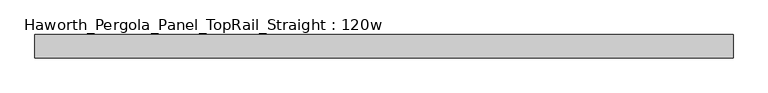
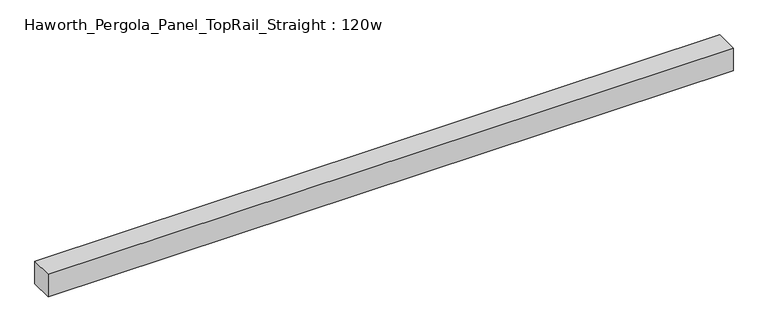
"""IFC4 building model written with IfcOpenShell, lengths in millimetres: furniture geometry, Haworth_Pergola_Panel_TopRail_Straight : 120w."""

import ifcopenshell
import ifcopenshell.guid

model = None  # the IFC model being written
_history = None  # IfcOwnerHistory: only IFC2X3 demands one
_inside = {}  # id of a spatial element -> (the spatial element, [elements in it])
_under = {}  # id of a project, library or spatial element -> (it, [spatial elements below it])
_declared = {}  # id of a project -> (the project, [libraries it declares])
_typed = {}  # id of a type object -> (the type object, [elements of that type])
_made_of = {}  # id of a material, layer set ... -> (it, [elements and type objects made of it])


def new_model(schema):
    """Start an empty IFC model of exactly this schema.

    Asked for "IFC4X3", IfcOpenShell would pick the latest addendum, in which some entities
    have other attributes; the version numbers below select the first issue.
    IFC2X3 requires an IfcOwnerHistory on every rooted entity: one is made here for all.
    """
    global model, _history
    if schema == "IFC4X3":
        model = ifcopenshell.file(schema_version=(4, 3, 0, 0))
    else:
        model = ifcopenshell.file(schema=schema)
    _inside.clear()
    _under.clear()
    _declared.clear()
    _typed.clear()
    _made_of.clear()
    _history = None
    if model.schema == "IFC2X3":
        org = make("IfcOrganization", Name="unknown")
        user = make(
            "IfcPersonAndOrganization",
            ThePerson=make("IfcPerson", FamilyName="unknown"),
            TheOrganization=org,
        )
        app = make(
            "IfcApplication",
            ApplicationDeveloper=org,
            Version="unknown",
            ApplicationFullName="unknown",
            ApplicationIdentifier="unknown",
        )
        _history = make(
            "IfcOwnerHistory",
            OwningUser=user,
            OwningApplication=app,
            ChangeAction="ADDED",
            CreationDate=0,
        )
    return model


def make(cls, **values):
    """One entity of the class cls with the attributes given. An attribute that is None is left unset."""
    return model.create_entity(
        cls, **{name: value for name, value in values.items() if value is not None}
    )


def rooted(cls, **values):
    """An entity with a GlobalId (a new one), such as an element, a storey or a relation."""
    return make(cls, GlobalId=ifcopenshell.guid.new(), OwnerHistory=_history, **values)


def si_unit(unit_type, name, prefix=None):
    """IfcSIUnit, for example si_unit("LENGTHUNIT", "METRE", prefix="MILLI")."""
    return make("IfcSIUnit", UnitType=unit_type, Prefix=prefix, Name=name)


def assignment(units):
    """IfcUnitAssignment: the units of a project."""
    return None if units is None else make("IfcUnitAssignment", Units=units)


def point(xyz):
    """IfcCartesianPoint."""
    return None if xyz is None else make("IfcCartesianPoint", Coordinates=xyz)


def direction(xyz):
    """IfcDirection."""
    return None if xyz is None else make("IfcDirection", DirectionRatios=xyz)


def frame(location, z_axis=None, x_axis=None):
    """IfcAxis2Placement3D, a coordinate frame: its origin and axes. An axis left out is left unset."""
    return make(
        "IfcAxis2Placement3D",
        Location=point(location),
        Axis=direction(z_axis),
        RefDirection=direction(x_axis),
    )


def origin():
    """The frame at (0, 0, 0) with its axes left unset."""
    return frame((0.0, 0.0, 0.0))


def place(relative_to, where):
    """IfcLocalPlacement: puts the frame where relative to a parent placement (None: the world)."""
    return make(
        "IfcLocalPlacement", PlacementRelTo=relative_to, RelativePlacement=where
    )


def context(
    kind, dimensions, precision=None, world=None, true_north=None, identifier=None
):
    """IfcGeometricRepresentationContext, for example the 3D "Model" context."""
    return make(
        "IfcGeometricRepresentationContext",
        ContextIdentifier=identifier,
        ContextType=kind,
        CoordinateSpaceDimension=dimensions,
        Precision=precision,
        WorldCoordinateSystem=world,
        TrueNorth=true_north,
    )


def project(units=None, contexts=None):
    """IfcProject with its units and contexts."""
    return rooted(
        "IfcProject",
        Name="project",
        RepresentationContexts=contexts,
        UnitsInContext=assignment(units),
    )


def spatial(cls, under=None, at=None, **own):
    """A site, building, storey or space (cls), placed at a placement, below another one or the project."""
    s = rooted(cls, ObjectPlacement=at, **own)
    if under is not None:
        _under.setdefault(under.id(), (under, []))[1].append(s)
    return s


def polyline(points):
    """IfcPolyline through the points."""
    return make("IfcPolyline", Points=[point(p) for p in points])


def outline(outer, holes=None, kind="AREA"):
    """IfcArbitraryClosedProfileDef: a profile drawn as a closed curve; with holes, ...WithVoids."""
    if holes is None:
        return make("IfcArbitraryClosedProfileDef", ProfileType=kind, OuterCurve=outer)
    return make(
        "IfcArbitraryProfileDefWithVoids",
        ProfileType=kind,
        OuterCurve=outer,
        InnerCurves=holes,
    )


def extrude(swept, where, along, depth):
    """IfcExtrudedAreaSolid: the profile swept, set in the frame where, extruded along a direction by depth."""
    return make(
        "IfcExtrudedAreaSolid",
        SweptArea=swept,
        Position=where,
        ExtrudedDirection=direction(along),
        Depth=depth,
    )


def shape(context_of_items, identifier, shape_type, items):
    """IfcShapeRepresentation: the items that make up one representation, for example the "Body"."""
    return make(
        "IfcShapeRepresentation",
        ContextOfItems=context_of_items,
        RepresentationIdentifier=identifier,
        RepresentationType=shape_type,
        Items=items,
    )


def source(mapping_origin, context_of_items, identifier, shape_type, items):
    """IfcRepresentationMap: a shape defined once, which mapped items show again and again."""
    return make(
        "IfcRepresentationMap",
        MappingOrigin=mapping_origin,
        MappedRepresentation=shape(context_of_items, identifier, shape_type, items),
    )


def transform(
    local_origin,
    x_axis=None,
    y_axis=None,
    z_axis=None,
    scale=None,
    scale2=None,
    scale3=None,
    uniform=True,
):
    """IfcCartesianTransformationOperator3D, or its non-uniform kind. x_axis, y_axis, z_axis: its Axis1, 2, 3."""
    if uniform:
        return make(
            "IfcCartesianTransformationOperator3D",
            Axis1=direction(x_axis),
            Axis2=direction(y_axis),
            LocalOrigin=point(local_origin),
            Scale=scale,
            Axis3=direction(z_axis),
        )
    return make(
        "IfcCartesianTransformationOperator3DnonUniform",
        Axis1=direction(x_axis),
        Axis2=direction(y_axis),
        LocalOrigin=point(local_origin),
        Scale=scale,
        Axis3=direction(z_axis),
        Scale2=scale2,
        Scale3=scale3,
    )


def mapped(mapping_source, mapping_target):
    """IfcMappedItem: shows the shape of a source again, moved by a transform."""
    return make(
        "IfcMappedItem", MappingSource=mapping_source, MappingTarget=mapping_target
    )


def made_of(thing, what):
    """Note that an element or type object is made of a material, layer set ...; save() writes the relation."""
    if what is not None:
        _made_of.setdefault(what.id(), (what, []))[1].append(thing)
    return thing


def element(
    cls,
    number,
    at=None,
    inside=None,
    cuts=None,
    type_object=None,
    material=None,
    context=None,
    identifier="Body",
    shape_type=None,
    held_by="IfcProductDefinitionShape",
    body=None,
    shapes=None,
    **own,
):
    """One element of the class cls, such as IfcWall. Its Tag is "e" and its number.

    at: its placement. inside: the storey or other place that contains it. cuts: it is an
    opening in that element (IfcRelVoidsElement). A single representation is given by context,
    identifier, shape_type and body (its items); several are given by shapes. held_by: the class
    of the entity that holds the representations. save() writes the other relations.
    """
    e = rooted(cls, Tag="e%d" % number, ObjectPlacement=at, **own)
    if body is not None:
        shapes = [shape(context, identifier, shape_type, body)]
    if shapes is not None:
        e.Representation = make(held_by, Representations=shapes)
    if inside is not None:
        _inside.setdefault(inside.id(), (inside, []))[1].append(e)
    if cuts is not None:
        rooted(
            "IfcRelVoidsElement", RelatingBuildingElement=cuts, RelatedOpeningElement=e
        )
    if type_object is not None:
        _typed.setdefault(type_object.id(), (type_object, []))[1].append(e)
    return made_of(e, material)


def aggregate(whole, parts):
    """IfcRelAggregates: a whole, such as a stair, and the parts it consists of."""
    return rooted("IfcRelAggregates", RelatingObject=whole, RelatedObjects=parts)


def save(model, path):
    """Write the relations noted so far, then the file.

    IfcRelAggregates (storeys below a building ...), IfcRelContainedInSpatialStructure (elements
    in a storey), IfcRelDefinesByType, IfcRelAssociatesMaterial and IfcRelDeclares: one each for
    every whole, place, type object, material and project.
    """
    for whole, parts in _under.values():
        aggregate(whole, parts)
    for where, things in _inside.values():
        rooted(
            "IfcRelContainedInSpatialStructure",
            RelatedElements=things,
            RelatingStructure=where,
        )
    for kind, things in _typed.values():
        rooted("IfcRelDefinesByType", RelatedObjects=things, RelatingType=kind)
    for what, things in _made_of.values():
        rooted("IfcRelAssociatesMaterial", RelatedObjects=things, RelatingMaterial=what)
    for by, libraries in _declared.values():
        rooted("IfcRelDeclares", RelatingContext=by, RelatedDefinitions=libraries)
    model.write(path)


def haworth_pergola_panel_toprail_straight_120w_a9d4e3d5(model_context):
    return source(origin(), model_context, "Body", "SweptSolid", [
        extrude(outline(polyline([(3035.3, 50.8), (3035.3, -50.8), (-12.7, -50.8), (-12.7, 50.8), (3035.3, 50.8)])), frame((0.0, 0.0, 2331.8390625), z_axis=(0.0, 0.0, 1.0), x_axis=(1.0, 0.0, 0.0)), (0.0, 0.0, 1.0), 106.5609375),
    ])


if __name__ == "__main__":
    model = new_model("IFC4")
    model_context = context("Model", 3, world=origin())
    ifc_project = project(units=[si_unit("LENGTHUNIT", "METRE", prefix="MILLI")], contexts=[model_context])
    site = spatial("IfcSite", under=ifc_project)
    building = spatial("IfcBuilding", under=site)
    placement = place(None, origin())
    haworth_pergola_panel_toprail_straight_120w_shape = haworth_pergola_panel_toprail_straight_120w_a9d4e3d5(model_context)
    element("IfcFurniture", 1, ObjectType="Haworth_Pergola_Panel_TopRail_Straight : 120w", at=placement, inside=building, context=model_context, shape_type="MappedRepresentation", body=[
        mapped(haworth_pergola_panel_toprail_straight_120w_shape, transform((0.0, 0.0, 0.0), x_axis=(1.0, 0.0, 0.0), y_axis=(0.0, 1.0, 0.0), z_axis=(0.0, 0.0, 1.0))),
    ])
    save(model, "model.ifc")
